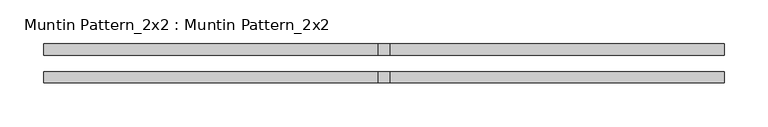
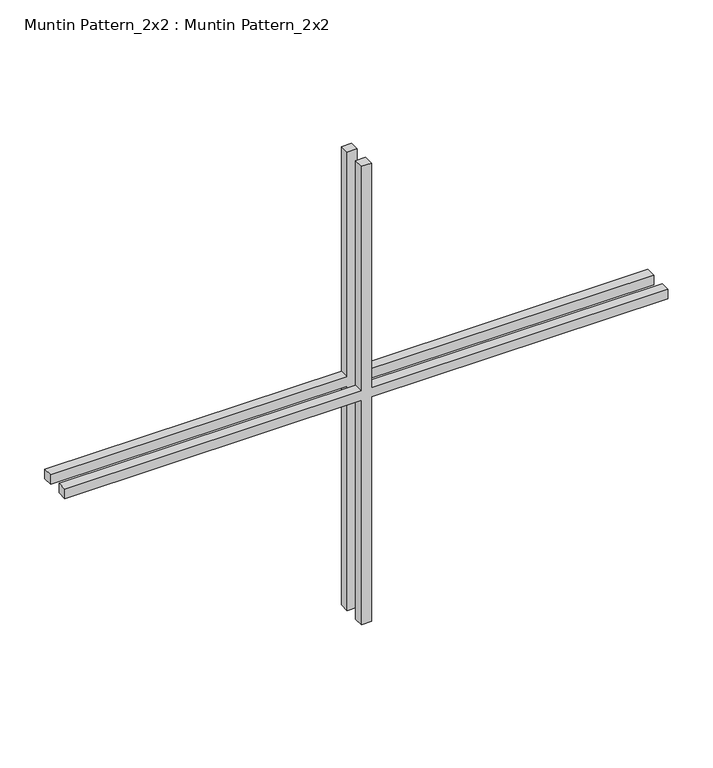
"""IFC4 building model written with IfcOpenShell, lengths in millimetres: proxy geometry, Muntin Pattern_2x2 : Muntin Pattern_2x2."""

from ifc_helpers import new_model, si_unit, frame, origin, place, context, project, spatial, polyline, outline, extrude, source, transform, mapped, element, save


def muntin_pattern_2x2_muntin_pattern_2x2_97f5fe10(model_context):
    return source(origin(), model_context, "Body", "SweptSolid", [
        extrude(outline(polyline([(317.5, -6.35), (317.5, -387.35), (304.8, -387.35), (304.8, -6.35), (0.0, -6.35), (0.0, 6.35), (304.8, 6.35), (304.8, 387.35), (317.5, 387.35), (317.5, 6.35), (622.3, 6.35), (622.3, -6.35), (317.5, -6.35)])), frame((0.0, -22.225, 0.0), z_axis=(0.0, 1.0, 0.0), x_axis=(0.0, 0.0, 1.0)), (0.0, 0.0, 1.0), 12.7),
        extrude(outline(polyline([(317.5, -6.35), (317.5, -387.35), (304.8, -387.35), (304.8, -6.35), (0.0, -6.35), (0.0, 6.35), (304.8, 6.35), (304.8, 387.35), (317.5, 387.35), (317.5, 6.35), (622.3, 6.35), (622.3, -6.35), (317.5, -6.35)])), frame((0.0, 9.525, 0.0), z_axis=(0.0, 1.0, 0.0), x_axis=(0.0, 0.0, 1.0)), (0.0, 0.0, 1.0), 12.7),
    ])


if __name__ == "__main__":
    model = new_model("IFC4")
    model_context = context("Model", 3, world=origin())
    ifc_project = project(units=[si_unit("LENGTHUNIT", "METRE", prefix="MILLI")], contexts=[model_context])
    site = spatial("IfcSite", under=ifc_project)
    building = spatial("IfcBuilding", under=site)
    placement = place(None, origin())
    muntin_pattern_2x2_muntin_pattern_2x2_shape = muntin_pattern_2x2_muntin_pattern_2x2_97f5fe10(model_context)
    element("IfcBuildingElementProxy", 1, Name="Muntin Pattern_2x2 : Muntin Pattern_2x2", ObjectType="Muntin Pattern_2x2 : Muntin Pattern_2x2", at=placement, inside=building, context=model_context, shape_type="MappedRepresentation", body=[
        mapped(muntin_pattern_2x2_muntin_pattern_2x2_shape, transform((0.0, 0.0, 0.0), x_axis=(1.0, 0.0, 0.0), y_axis=(0.0, 1.0, 0.0), z_axis=(0.0, 0.0, 1.0))),
    ])
    save(model, "model.ifc")
